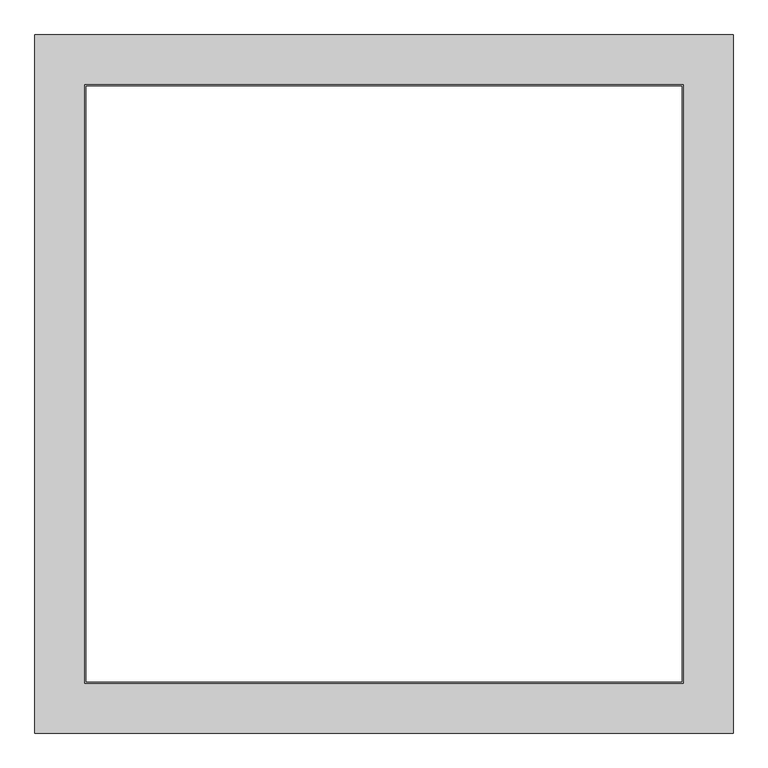
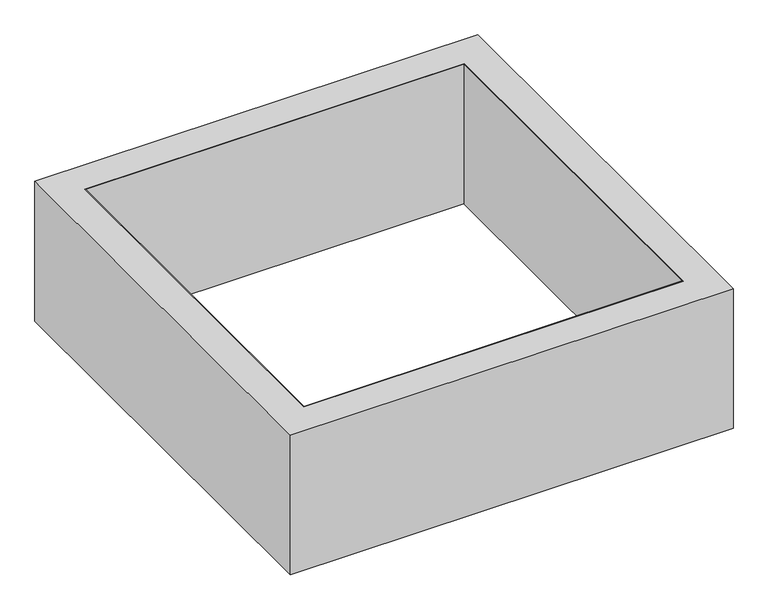
"""IFC4 building model written with IfcOpenShell, lengths in millimetres: proxy geometry."""

import ifcopenshell
import ifcopenshell.guid

model = None  # the IFC model being written
_history = None  # IfcOwnerHistory: only IFC2X3 demands one
_inside = {}  # id of a spatial element -> (the spatial element, [elements in it])
_under = {}  # id of a project, library or spatial element -> (it, [spatial elements below it])
_declared = {}  # id of a project -> (the project, [libraries it declares])
_typed = {}  # id of a type object -> (the type object, [elements of that type])
_made_of = {}  # id of a material, layer set ... -> (it, [elements and type objects made of it])


def new_model(schema):
    """Start an empty IFC model of exactly this schema.

    Asked for "IFC4X3", IfcOpenShell would pick the latest addendum, in which some entities
    have other attributes; the version numbers below select the first issue.
    IFC2X3 requires an IfcOwnerHistory on every rooted entity: one is made here for all.
    """
    global model, _history
    if schema == "IFC4X3":
        model = ifcopenshell.file(schema_version=(4, 3, 0, 0))
    else:
        model = ifcopenshell.file(schema=schema)
    _inside.clear()
    _under.clear()
    _declared.clear()
    _typed.clear()
    _made_of.clear()
    _history = None
    if model.schema == "IFC2X3":
        org = make("IfcOrganization", Name="unknown")
        user = make(
            "IfcPersonAndOrganization",
            ThePerson=make("IfcPerson", FamilyName="unknown"),
            TheOrganization=org,
        )
        app = make(
            "IfcApplication",
            ApplicationDeveloper=org,
            Version="unknown",
            ApplicationFullName="unknown",
            ApplicationIdentifier="unknown",
        )
        _history = make(
            "IfcOwnerHistory",
            OwningUser=user,
            OwningApplication=app,
            ChangeAction="ADDED",
            CreationDate=0,
        )
    return model


def make(cls, **values):
    """One entity of the class cls with the attributes given. An attribute that is None is left unset."""
    return model.create_entity(
        cls, **{name: value for name, value in values.items() if value is not None}
    )


def rooted(cls, **values):
    """An entity with a GlobalId (a new one), such as an element, a storey or a relation."""
    return make(cls, GlobalId=ifcopenshell.guid.new(), OwnerHistory=_history, **values)


def si_unit(unit_type, name, prefix=None):
    """IfcSIUnit, for example si_unit("LENGTHUNIT", "METRE", prefix="MILLI")."""
    return make("IfcSIUnit", UnitType=unit_type, Prefix=prefix, Name=name)


def assignment(units):
    """IfcUnitAssignment: the units of a project."""
    return None if units is None else make("IfcUnitAssignment", Units=units)


def point(xyz):
    """IfcCartesianPoint."""
    return None if xyz is None else make("IfcCartesianPoint", Coordinates=xyz)


def direction(xyz):
    """IfcDirection."""
    return None if xyz is None else make("IfcDirection", DirectionRatios=xyz)


def frame(location, z_axis=None, x_axis=None):
    """IfcAxis2Placement3D, a coordinate frame: its origin and axes. An axis left out is left unset."""
    return make(
        "IfcAxis2Placement3D",
        Location=point(location),
        Axis=direction(z_axis),
        RefDirection=direction(x_axis),
    )


def origin():
    """The frame at (0, 0, 0) with its axes left unset."""
    return frame((0.0, 0.0, 0.0))


def origin_with_axes():
    """The frame at (0, 0, 0) with the z axis (0, 0, 1) and the x axis (1, 0, 0) written out."""
    return frame((0.0, 0.0, 0.0), z_axis=(0.0, 0.0, 1.0), x_axis=(1.0, 0.0, 0.0))


def place(relative_to, where):
    """IfcLocalPlacement: puts the frame where relative to a parent placement (None: the world)."""
    return make(
        "IfcLocalPlacement", PlacementRelTo=relative_to, RelativePlacement=where
    )


def context(
    kind, dimensions, precision=None, world=None, true_north=None, identifier=None
):
    """IfcGeometricRepresentationContext, for example the 3D "Model" context."""
    return make(
        "IfcGeometricRepresentationContext",
        ContextIdentifier=identifier,
        ContextType=kind,
        CoordinateSpaceDimension=dimensions,
        Precision=precision,
        WorldCoordinateSystem=world,
        TrueNorth=true_north,
    )


def project(units=None, contexts=None):
    """IfcProject with its units and contexts."""
    return rooted(
        "IfcProject",
        Name="project",
        RepresentationContexts=contexts,
        UnitsInContext=assignment(units),
    )


def spatial(cls, under=None, at=None, **own):
    """A site, building, storey or space (cls), placed at a placement, below another one or the project."""
    s = rooted(cls, ObjectPlacement=at, **own)
    if under is not None:
        _under.setdefault(under.id(), (under, []))[1].append(s)
    return s


def polyline(points):
    """IfcPolyline through the points."""
    return make("IfcPolyline", Points=[point(p) for p in points])


def outline(outer, holes=None, kind="AREA"):
    """IfcArbitraryClosedProfileDef: a profile drawn as a closed curve; with holes, ...WithVoids."""
    if holes is None:
        return make("IfcArbitraryClosedProfileDef", ProfileType=kind, OuterCurve=outer)
    return make(
        "IfcArbitraryProfileDefWithVoids",
        ProfileType=kind,
        OuterCurve=outer,
        InnerCurves=holes,
    )


def extrude(swept, where, along, depth):
    """IfcExtrudedAreaSolid: the profile swept, set in the frame where, extruded along a direction by depth."""
    return make(
        "IfcExtrudedAreaSolid",
        SweptArea=swept,
        Position=where,
        ExtrudedDirection=direction(along),
        Depth=depth,
    )


def shape(context_of_items, identifier, shape_type, items):
    """IfcShapeRepresentation: the items that make up one representation, for example the "Body"."""
    return make(
        "IfcShapeRepresentation",
        ContextOfItems=context_of_items,
        RepresentationIdentifier=identifier,
        RepresentationType=shape_type,
        Items=items,
    )


def source(mapping_origin, context_of_items, identifier, shape_type, items):
    """IfcRepresentationMap: a shape defined once, which mapped items show again and again."""
    return make(
        "IfcRepresentationMap",
        MappingOrigin=mapping_origin,
        MappedRepresentation=shape(context_of_items, identifier, shape_type, items),
    )


def transform(
    local_origin,
    x_axis=None,
    y_axis=None,
    z_axis=None,
    scale=None,
    scale2=None,
    scale3=None,
    uniform=True,
):
    """IfcCartesianTransformationOperator3D, or its non-uniform kind. x_axis, y_axis, z_axis: its Axis1, 2, 3."""
    if uniform:
        return make(
            "IfcCartesianTransformationOperator3D",
            Axis1=direction(x_axis),
            Axis2=direction(y_axis),
            LocalOrigin=point(local_origin),
            Scale=scale,
            Axis3=direction(z_axis),
        )
    return make(
        "IfcCartesianTransformationOperator3DnonUniform",
        Axis1=direction(x_axis),
        Axis2=direction(y_axis),
        LocalOrigin=point(local_origin),
        Scale=scale,
        Axis3=direction(z_axis),
        Scale2=scale2,
        Scale3=scale3,
    )


def mapped(mapping_source, mapping_target):
    """IfcMappedItem: shows the shape of a source again, moved by a transform."""
    return make(
        "IfcMappedItem", MappingSource=mapping_source, MappingTarget=mapping_target
    )


def made_of(thing, what):
    """Note that an element or type object is made of a material, layer set ...; save() writes the relation."""
    if what is not None:
        _made_of.setdefault(what.id(), (what, []))[1].append(thing)
    return thing


def element(
    cls,
    number,
    at=None,
    inside=None,
    cuts=None,
    type_object=None,
    material=None,
    context=None,
    identifier="Body",
    shape_type=None,
    held_by="IfcProductDefinitionShape",
    body=None,
    shapes=None,
    **own,
):
    """One element of the class cls, such as IfcWall. Its Tag is "e" and its number.

    at: its placement. inside: the storey or other place that contains it. cuts: it is an
    opening in that element (IfcRelVoidsElement). A single representation is given by context,
    identifier, shape_type and body (its items); several are given by shapes. held_by: the class
    of the entity that holds the representations. save() writes the other relations.
    """
    e = rooted(cls, Tag="e%d" % number, ObjectPlacement=at, **own)
    if body is not None:
        shapes = [shape(context, identifier, shape_type, body)]
    if shapes is not None:
        e.Representation = make(held_by, Representations=shapes)
    if inside is not None:
        _inside.setdefault(inside.id(), (inside, []))[1].append(e)
    if cuts is not None:
        rooted(
            "IfcRelVoidsElement", RelatingBuildingElement=cuts, RelatedOpeningElement=e
        )
    if type_object is not None:
        _typed.setdefault(type_object.id(), (type_object, []))[1].append(e)
    return made_of(e, material)


def aggregate(whole, parts):
    """IfcRelAggregates: a whole, such as a stair, and the parts it consists of."""
    return rooted("IfcRelAggregates", RelatingObject=whole, RelatedObjects=parts)


def save(model, path):
    """Write the relations noted so far, then the file.

    IfcRelAggregates (storeys below a building ...), IfcRelContainedInSpatialStructure (elements
    in a storey), IfcRelDefinesByType, IfcRelAssociatesMaterial and IfcRelDeclares: one each for
    every whole, place, type object, material and project.
    """
    for whole, parts in _under.values():
        aggregate(whole, parts)
    for where, things in _inside.values():
        rooted(
            "IfcRelContainedInSpatialStructure",
            RelatedElements=things,
            RelatingStructure=where,
        )
    for kind, things in _typed.values():
        rooted("IfcRelDefinesByType", RelatedObjects=things, RelatingType=kind)
    for what, things in _made_of.values():
        rooted("IfcRelAssociatesMaterial", RelatedObjects=things, RelatingMaterial=what)
    for by, libraries in _declared.values():
        rooted("IfcRelDeclares", RelatingContext=by, RelatedDefinitions=libraries)
    model.write(path)


def generic_models_3b3db4dc(model_context):
    return source(origin(), model_context, "Body", "SweptSolid", [
        extrude(outline(polyline([(900.0, 900.0), (900.0, -900.0), (-900.0, -900.0), (-900.0, 900.0), (900.0, 900.0)]), holes=[polyline([(896.0, 896.0), (-896.0, 896.0), (-896.0, -896.0), (896.0, -896.0), (896.0, 896.0)])]), origin_with_axes(), (0.0, 0.0, 1.0), 700.0),
        extrude(outline(polyline([(1050.0, 1050.0), (1050.0, -1050.0), (-1050.0, -1050.0), (-1050.0, 1050.0), (1050.0, 1050.0)]), holes=[polyline([(900.0, 900.0), (-900.0, 900.0), (-900.0, -900.0), (900.0, -900.0), (900.0, 900.0)])]), origin_with_axes(), (0.0, 0.0, 1.0), 700.0),
    ])


if __name__ == "__main__":
    model = new_model("IFC4")
    model_context = context("Model", 3, world=origin())
    ifc_project = project(units=[si_unit("LENGTHUNIT", "METRE", prefix="MILLI")], contexts=[model_context])
    site = spatial("IfcSite", under=ifc_project)
    building = spatial("IfcBuilding", under=site)
    placement = place(None, origin())
    generic_models_shape = generic_models_3b3db4dc(model_context)
    element("IfcBuildingElementProxy", 1, Name="Generic Models", at=placement, inside=building, context=model_context, shape_type="MappedRepresentation", body=[
        mapped(generic_models_shape, transform((0.0, 0.0, 0.0), x_axis=(1.0, 0.0, 0.0), y_axis=(0.0, 1.0, 0.0), z_axis=(0.0, 0.0, 1.0))),
    ])
    save(model, "model.ifc")
